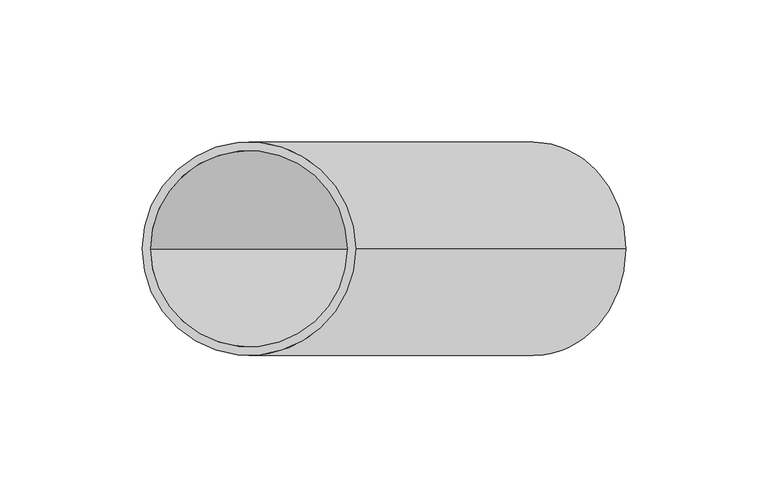
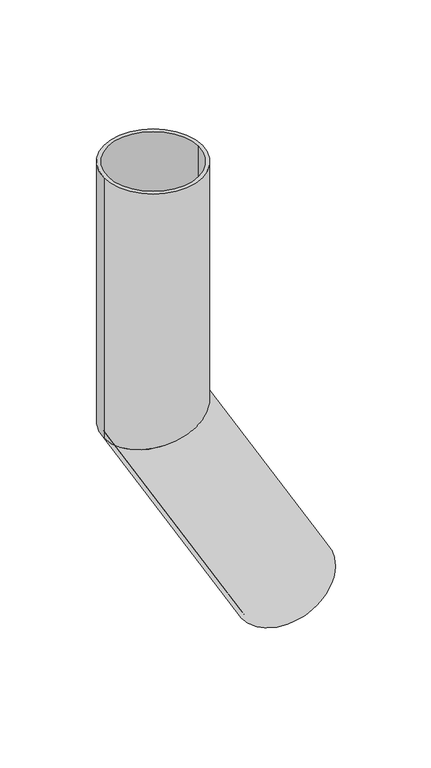
"""IFC4 building model written with IfcOpenShell, lengths in millimetres: beam geometry."""

from ifc_helpers import new_model, si_unit, frame, origin, place, context, project, spatial, polyline, circle_curve, ellipse_curve, source, transform, mapped, element, save
from ifc_brep_helpers import plane_surface, cylinder_surface, revolved_surface, advanced_brep


def beam_12f64683(model_context):
    return source(origin(), model_context, "Body", "AdvancedBrep", [
        advanced_brep(
        [(132.4759526, 0.0, -354.4550808), (67.5240474, 0.0, -391.9550808), (129.8778764, 0.0, -355.9550808), (70.1221236, 0.0, -390.4550808), (37.5, 0.0, 0.0), (-37.5, 0.0, 0.0), (34.5, 0.0, 0.0), (-34.5, 0.0, 0.0), (34.5, 0.0, -190.7557529), (0.0, -34.5, -200.0), (-34.5, 0.0, -209.2442471), (0.0, 34.5, -200.0), (37.5, 0.0, -189.9519053), (-37.5, 0.0, -210.0480947)],
        [
            (0, 1, circle_curve(frame((100.0, 0.0, -373.2050808), z_axis=(0.5000000000000633, 0.0, -0.8660254037844022), x_axis=(-0.8660254037844022, 0.0, -0.5000000000000633)), 37.5)),
            (1, 0, circle_curve(frame((100.0, 0.0, -373.2050808), z_axis=(0.5000000000000633, 0.0, -0.8660254037844022), x_axis=(-0.8660254037844022, 0.0, -0.5000000000000633)), 37.5)),
            (2, 3, circle_curve(frame((100.0, 0.0, -373.2050808), z_axis=(-0.5000000000000633, 0.0, 0.8660254037844022), x_axis=(-0.8660254037844022, 0.0, -0.5000000000000633)), 34.5)),
            (3, 2, circle_curve(frame((100.0, 0.0, -373.2050808), z_axis=(-0.5000000000000633, 0.0, 0.8660254037844022), x_axis=(-0.8660254037844022, 0.0, -0.5000000000000633)), 34.5)),
            (4, 5, circle_curve(frame((0.0, 0.0, 0.0), z_axis=(0.0, 0.0, 1.0), x_axis=(-1.0, 0.0, 0.0)), 37.5)),
            (5, 4, circle_curve(frame((0.0, 0.0, 0.0), z_axis=(0.0, 0.0, 1.0), x_axis=(-1.0, 0.0, 0.0)), 37.5)),
            (6, 7, circle_curve(frame((0.0, 0.0, 0.0), z_axis=(0.0, 0.0, -1.0), x_axis=(-1.0, 0.0, 0.0)), 34.5)),
            (7, 6, circle_curve(frame((0.0, 0.0, 0.0), z_axis=(0.0, 0.0, -1.0), x_axis=(-1.0, 0.0, 0.0)), 34.5)),
            (6, 8),
            (8, 9, ellipse_curve(frame((0.0, 0.0, -200.0), z_axis=(0.25881904510255604, 0.0, -0.9659258262890589), x_axis=(0.9659258262890589, 0.0, 0.25881904510255593)), 35.7170282, 34.5)),
            (9, 10, ellipse_curve(frame((0.0, 0.0, -200.0), z_axis=(0.25881904510255604, 0.0, -0.9659258262890589), x_axis=(0.9659258262890589, 0.0, 0.25881904510255593)), 35.7170282, 34.5)),
            (10, 7),
            (10, 11, ellipse_curve(frame((0.0, 0.0, -200.0), z_axis=(0.25881904510255604, 0.0, -0.9659258262890589), x_axis=(0.9659258262890589, 0.0, 0.25881904510255593)), 35.7170282, 34.5)),
            (11, 8, ellipse_curve(frame((0.0, 0.0, -200.0), z_axis=(0.25881904510255604, 0.0, -0.9659258262890589), x_axis=(0.9659258262890589, 0.0, 0.25881904510255593)), 35.7170282, 34.5)),
            (4, 12),
            (12, 13, ellipse_curve(frame((0.0, 0.0, -200.0), z_axis=(-0.25881904510255604, 0.0, 0.9659258262890589), x_axis=(-0.9659258262890589, 0.0, -0.25881904510255593)), 38.8228568, 37.5)),
            (13, 5),
            (13, 12, ellipse_curve(frame((0.0, 0.0, -200.0), z_axis=(-0.25881904510255604, 0.0, 0.9659258262890589), x_axis=(-0.9659258262890589, 0.0, -0.25881904510255593)), 38.8228568, 37.5)),
            (2, 8),
            (10, 3),
            (0, 12),
            (13, 1),
        ],
        [
            plane_surface(frame((100.0, 0.0, -373.2050808), z_axis=(0.5000000000000633, 0.0, -0.8660254037844022), x_axis=(0.0, -1.0, 0.0))),
            plane_surface(frame((0.0, 0.0, 0.0), z_axis=(0.0, 0.0, 1.0), x_axis=(0.0, -1.0, 0.0))),
            revolved_surface(polyline([(-34.5, 0.0, 0.0), (-34.5, 0.0, -209.24424713262505)]), (0.0, 0.0, -200.0), (0.0, 0.0, 1.0)),
            cylinder_surface(frame((0.0, 0.0, -200.0), z_axis=(0.0, 0.0, -1.0), x_axis=(-1.0, 0.0, 0.0)), 37.5),
            revolved_surface(polyline([(-34.50000003551426, 0.0, -209.24424712050407), (70.12212357707764, 0.0, -390.45508081323425)]), (100.0, 0.0, -373.2050808), (-0.5000000000000633, 0.0, 0.8660254037844022)),
            cylinder_surface(frame((100.0, 0.0, -373.2050808), z_axis=(0.5000000000000633, 0.0, -0.8660254037844022), x_axis=(-0.8660254037844022, 0.0, -0.5000000000000633)), 37.5),
        ],
        [
            (0, [[1, 2], [3, 4]]),
            (1, [[5, 6], [7, 8]]),
            (2, [[-7, 9, 10, 11, 12]]),
            (2, [[-8, -12, 13, 14, -9]]),
            (3, [[-5, 15, 16, 17]]),
            (3, [[-6, -17, 18, -15]]),
            (4, [[-3, 19, -14, -13, 20]]),
            (4, [[-4, -20, -11, -10, -19]]),
            (5, [[-1, 21, -18, 22]]),
            (5, [[-2, -22, -16, -21]]),
        ],
    ),
    ])


if __name__ == "__main__":
    model = new_model("IFC4")
    model_context = context("Model", 3, world=origin())
    ifc_project = project(units=[si_unit("LENGTHUNIT", "METRE", prefix="MILLI")], contexts=[model_context])
    site = spatial("IfcSite", under=ifc_project)
    building = spatial("IfcBuilding", under=site)
    placement = place(None, origin())
    beam_shape = beam_12f64683(model_context)
    element("IfcBeam", 1, at=placement, inside=building, context=model_context, shape_type="MappedRepresentation", body=[
        mapped(beam_shape, transform((0.0, 0.0, 0.0), x_axis=(1.0, 0.0, 0.0), y_axis=(0.0, 1.0, 0.0), z_axis=(0.0, 0.0, 1.0))),
    ])
    save(model, "model.ifc")
